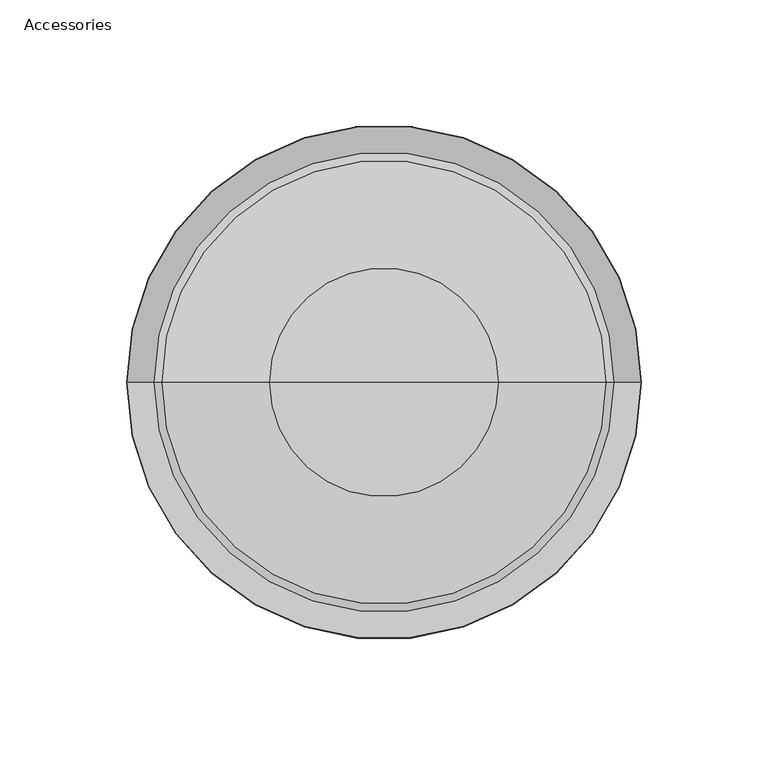
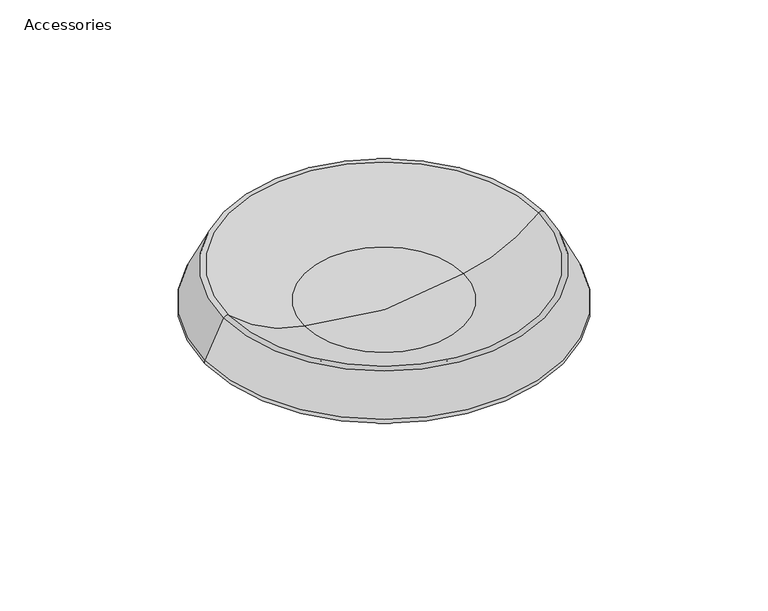
"""IFC4 building model written with IfcOpenShell, lengths in millimetres: furniture geometry, Accessories."""

from ifc_helpers import new_model, si_unit, point, frame, origin, place, context, project, spatial, polyline, circle_curve, ellipse_curve, trimmed, source, transform, mapped, element, save
from ifc_brep_helpers import plane_surface, cylinder_surface, revolved_surface, advanced_brep


def accessories_b2ed5c9a(model_context):
    return source(origin(), model_context, "Body", "AdvancedBrep", [
        advanced_brep(
        [(-448.7629639, 345.7919098, 49.9684171), (-273.5048526, 345.7919098, 49.9684171), (-315.9190582, 345.7919098, 28.5913911), (-406.3487583, 345.7919098, 28.5913911), (-451.9458472, 345.7919098, 49.421814), (-270.3219693, 345.7919098, 49.421814), (-462.5367561, 345.7919098, 27.813267), (-259.7310604, 345.7919098, 27.813267), (-461.5302804, 345.7919098, 24.7828095), (-260.7375362, 345.7919098, 24.7828095), (-441.0883939, 345.7919098, 14.3020789), (-281.1794227, 345.7919098, 14.3020789), (-400.2333613, 345.7919098, 14.3020789), (-322.0344553, 345.7919098, 14.3020789), (-400.2333613, 345.7919098, 9.2266756), (-322.0344553, 345.7919098, 9.2266756), (-402.8988403, 345.7919098, 7.3602871), (-319.3689762, 345.7919098, 7.3602871), (-403.0072452, 345.7919098, 4.2708546), (-319.2605713, 345.7919098, 4.2708546), (-397.7367999, 345.7919098, 0.0), (-324.5310167, 345.7919098, 0.0), (-361.1339083, 345.7919098, 0.0), (-361.1339083, 345.7919098, 22.6021878)],
        [
            (0, 1, circle_curve(frame((-361.1339083, 345.7919098, 49.9684171), z_axis=(0.0, 0.0, 1.0), x_axis=(1.0, 0.0, 0.0)), 87.6290556)),
            (1, 2, circle_curve(frame((-328.3006234, 345.7919098, 105.9232561), z_axis=(0.0, 1.0, 0.0), x_axis=(1.0, 0.0, 0.0)), 78.3167957)),
            (2, 3, circle_curve(frame((-361.1339083, 345.7919098, 28.5913911), z_axis=(0.0, 0.0, -1.0), x_axis=(1.0, 0.0, 0.0)), 45.2148501)),
            (3, 0, circle_curve(frame((-393.9671932, 345.7919098, 105.9232561), z_axis=(0.0, 1.0, 0.0), x_axis=(-1.0, 0.0, 0.0)), 78.3167957)),
            (1, 0, circle_curve(frame((-361.1339083, 345.7919098, 49.9684171), z_axis=(0.0, 0.0, 1.0), x_axis=(1.0, 0.0, 0.0)), 87.6290556)),
            (3, 2, circle_curve(frame((-361.1339083, 345.7919098, 28.5913911), z_axis=(0.0, 0.0, -1.0), x_axis=(1.0, 0.0, 0.0)), 45.2148501)),
            (4, 5, circle_curve(frame((-361.1339083, 345.7919098, 49.421814), z_axis=(0.0, 0.0, 1.0), x_axis=(1.0, 0.0, 0.0)), 90.811939)),
            (5, 1, circle_curve(frame((-272.1109224, 345.7919098, 48.5450018), z_axis=(0.0, -1.0, 0.0), x_axis=(1.0, 0.0, 0.0)), 1.9922733)),
            (0, 4, circle_curve(frame((-450.1568942, 345.7919098, 48.5450018), z_axis=(0.0, -1.0, 0.0), x_axis=(-1.0, 0.0, 0.0)), 1.9922733)),
            (5, 4, circle_curve(frame((-361.1339083, 345.7919098, 49.421814), z_axis=(0.0, 0.0, 1.0), x_axis=(1.0, 0.0, 0.0)), 90.811939)),
            (6, 7, circle_curve(frame((-361.1339083, 345.7919098, 27.813267), z_axis=(0.0, 0.0, 1.0), x_axis=(1.0, 0.0, 0.0)), 101.4028478)),
            (7, 5),
            (4, 6),
            (7, 6, circle_curve(frame((-361.1339083, 345.7919098, 27.813267), z_axis=(0.0, 0.0, 1.0), x_axis=(1.0, 0.0, 0.0)), 101.4028478)),
            (8, 9, circle_curve(frame((-361.1339083, 345.7919098, 24.7828095), z_axis=(0.0, 0.0, 1.0), x_axis=(1.0, 0.0, 0.0)), 100.3963721)),
            (9, 7, circle_curve(frame((-261.7771199, 345.7919098, 26.8104402), z_axis=(0.0, -1.0, 0.0), x_axis=(1.0, 0.0, 0.0)), 2.2786006)),
            (6, 8, circle_curve(frame((-460.4906967, 345.7919098, 26.8104402), z_axis=(0.0, -1.0, 0.0), x_axis=(-1.0, 0.0, 0.0)), 2.2786006)),
            (9, 8, circle_curve(frame((-361.1339083, 345.7919098, 24.7828095), z_axis=(0.0, 0.0, 1.0), x_axis=(1.0, 0.0, 0.0)), 100.3963721)),
            (10, 11, circle_curve(frame((-361.1339083, 345.7919098, 14.3020789), z_axis=(0.0, 0.0, 1.0), x_axis=(1.0, 0.0, 0.0)), 79.9544856)),
            (11, 9),
            (8, 10),
            (11, 10, circle_curve(frame((-361.1339083, 345.7919098, 14.3020789), z_axis=(0.0, 0.0, 1.0), x_axis=(1.0, 0.0, 0.0)), 79.9544856)),
            (12, 13, circle_curve(frame((-361.1339083, 345.7919098, 14.3020789), z_axis=(0.0, 0.0, 1.0), x_axis=(1.0, 0.0, 0.0)), 39.099453)),
            (13, 11),
            (10, 12),
            (13, 12, circle_curve(frame((-361.1339083, 345.7919098, 14.3020789), z_axis=(0.0, 0.0, 1.0), x_axis=(1.0, 0.0, 0.0)), 39.099453)),
            (14, 15, circle_curve(frame((-361.1339083, 345.7919098, 9.2266756), z_axis=(0.0, 0.0, 1.0), x_axis=(1.0, 0.0, 0.0)), 39.099453)),
            (15, 13),
            (12, 14),
            (15, 14, circle_curve(frame((-361.1339083, 345.7919098, 9.2266756), z_axis=(0.0, 0.0, 1.0), x_axis=(1.0, 0.0, 0.0)), 39.099453)),
            (16, 17, circle_curve(frame((-361.1339083, 345.7919098, 7.3602871), z_axis=(0.0, 0.0, 1.0), x_axis=(1.0, 0.0, 0.0)), 41.764932)),
            (17, 15),
            (14, 16),
            (17, 16, circle_curve(frame((-361.1339083, 345.7919098, 7.3602871), z_axis=(0.0, 0.0, 1.0), x_axis=(1.0, 0.0, 0.0)), 41.764932)),
            (18, 19, circle_curve(frame((-361.1339083, 345.7919098, 4.2708546), z_axis=(0.0, 0.0, 1.0), x_axis=(1.0, 0.0, 0.0)), 41.8733369)),
            (19, 17, circle_curve(frame((-320.4792078, 345.7919098, 5.7747121), z_axis=(0.0, -1.0, 0.0), x_axis=(1.0, 0.0, 0.0)), 1.9356297)),
            (16, 18, circle_curve(frame((-401.7886087, 345.7919098, 5.7747121), z_axis=(0.0, -1.0, 0.0), x_axis=(-1.0, 0.0, 0.0)), 1.9356297)),
            (19, 18, circle_curve(frame((-361.1339083, 345.7919098, 4.2708546), z_axis=(0.0, 0.0, 1.0), x_axis=(1.0, 0.0, 0.0)), 41.8733369)),
            (20, 21, circle_curve(frame((-361.1339083, 345.7919098, 0.0), z_axis=(0.0, 0.0, 1.0), x_axis=(1.0, 0.0, 0.0)), 36.6028916)),
            (21, 19),
            (18, 20),
            (21, 20, circle_curve(frame((-361.1339083, 345.7919098, 0.0), z_axis=(0.0, 0.0, 1.0), x_axis=(1.0, 0.0, 0.0)), 36.6028916)),
            (22, 21),
            (20, 22),
            (2, 23, circle_curve(frame((-449.1332569, 345.7919098, 860.6107926), z_axis=(0.0, 1.0, 0.0), x_axis=(1.0, 0.0, 0.0)), 842.6163463)),
            (23, 3, circle_curve(frame((-273.1345596, 345.7919098, 860.6107926), z_axis=(0.0, 1.0, 0.0), x_axis=(-1.0, 0.0, 0.0)), 842.6163463)),
        ],
        [
            revolved_surface(trimmed(ellipse_curve(frame((-328.3006234, 345.7919098, 105.9232561), z_axis=(0.0, -1.0, 0.0), x_axis=(1.0, 0.0, 0.0)), 78.3167957, 78.3167957), [point((-315.9190582, 345.7919098, 28.5913911))], [point((-273.5048526, 345.7919098, 49.9684171))], True, "CARTESIAN"), (-361.1339083, 345.7919098, 69.85), (0.0, 0.0, -1.0)),
            revolved_surface(trimmed(ellipse_curve(frame((-272.1109224, 345.7919098, 48.5450018), z_axis=(0.0, 1.0, 0.0), x_axis=(1.0, 0.0, 0.0)), 1.9922733, 1.9922733), [point((-273.5048526, 345.7919098, 49.9684171))], [point((-270.3219693, 345.7919098, 49.421814))], True, "CARTESIAN"), (-361.1339083, 345.7919098, 69.85), (0.0, 0.0, -1.0)),
            revolved_surface(polyline([(-270.3219693, 345.7919098, 49.421814), (-259.7310604, 345.7919098, 27.813267)]), (-361.1339083, 345.7919098, 69.85), (0.0, 0.0, -1.0)),
            revolved_surface(trimmed(ellipse_curve(frame((-261.7771199, 345.7919098, 26.8104402), z_axis=(0.0, 1.0, 0.0), x_axis=(1.0, 0.0, 0.0)), 2.2786006, 2.2786006), [point((-259.7310604, 345.7919098, 27.813267))], [point((-260.7375362, 345.7919098, 24.7828095))], True, "CARTESIAN"), (-361.1339083, 345.7919098, 69.85), (0.0, 0.0, -1.0)),
            revolved_surface(polyline([(-260.7375362, 345.7919098, 24.7828095), (-281.1794227, 345.7919098, 14.3020789)]), (-361.1339083, 345.7919098, 69.85), (0.0, 0.0, -1.0)),
            plane_surface(frame((-361.1339083, 345.7919098, 14.3020789), z_axis=(0.0, 0.0, -1.0), x_axis=(1.0, 0.0, 0.0))),
            cylinder_surface(frame((-361.1339083, 345.7919098, 69.85), z_axis=(0.0, 0.0, -1.0), x_axis=(1.0, 0.0, 0.0)), 39.099453),
            revolved_surface(polyline([(-322.0344553, 345.7919098, 9.2266756), (-319.3689762, 345.7919098, 7.3602871)]), (-361.1339083, 345.7919098, 69.85), (0.0, 0.0, -1.0)),
            revolved_surface(trimmed(ellipse_curve(frame((-320.4792078, 345.7919098, 5.7747121), z_axis=(0.0, 1.0, 0.0), x_axis=(1.0, 0.0, 0.0)), 1.9356297, 1.9356297), [point((-319.3689762, 345.7919098, 7.3602871))], [point((-319.2605713, 345.7919098, 4.2708546))], True, "CARTESIAN"), (-361.1339083, 345.7919098, 69.85), (0.0, 0.0, -1.0)),
            revolved_surface(polyline([(-319.2605713, 345.7919098, 4.2708546), (-324.5310167, 345.7919098, 0.0)]), (-361.1339083, 345.7919098, 69.85), (0.0, 0.0, -1.0)),
            plane_surface(frame((-361.1339083, 345.7919098, 0.0), z_axis=(0.0, 0.0, -1.0), x_axis=(1.0, 0.0, 0.0))),
            revolved_surface(trimmed(ellipse_curve(frame((-449.1332569, 345.7919098, 860.6107926), z_axis=(0.0, -1.0, 0.0), x_axis=(1.0, 0.0, 0.0)), 842.6163463, 842.6163463), [point((-361.1339083, 345.7919098, 22.6021878))], [point((-315.9190582, 345.7919098, 28.5913911))], True, "CARTESIAN"), (-361.1339083, 345.7919098, 69.85), (0.0, 0.0, -1.0)),
        ],
        [
            (0, [[1, 2, 3, 4]]),
            (0, [[5, -4, 6, -2]]),
            (1, [[7, 8, -1, 9]]),
            (1, [[10, -9, -5, -8]]),
            (2, [[11, 12, -7, 13]]),
            (2, [[14, -13, -10, -12]]),
            (3, [[15, 16, -11, 17]]),
            (3, [[18, -17, -14, -16]]),
            (4, [[19, 20, -15, 21]]),
            (4, [[22, -21, -18, -20]]),
            (5, [[23, 24, -19, 25]]),
            (5, [[26, -25, -22, -24]]),
            (6, [[27, 28, -23, 29]]),
            (6, [[30, -29, -26, -28]]),
            (7, [[31, 32, -27, 33]]),
            (7, [[34, -33, -30, -32]]),
            (8, [[35, 36, -31, 37]]),
            (8, [[38, -37, -34, -36]]),
            (9, [[39, 40, -35, 41]]),
            (9, [[42, -41, -38, -40]]),
            (10, [[43, -39, 44]]),
            (10, [[-44, -42, -43]]),
            (11, [[-3, 45, 46]]),
            (11, [[-6, -46, -45]]),
        ],
    ),
    ])


if __name__ == "__main__":
    model = new_model("IFC4")
    model_context = context("Model", 3, world=origin())
    ifc_project = project(units=[si_unit("LENGTHUNIT", "METRE", prefix="MILLI")], contexts=[model_context])
    site = spatial("IfcSite", under=ifc_project)
    building = spatial("IfcBuilding", under=site)
    placement = place(None, origin())
    accessories_shape = accessories_b2ed5c9a(model_context)
    element("IfcFurniture", 1, ObjectType="Accessories", at=placement, inside=building, context=model_context, shape_type="MappedRepresentation", body=[
        mapped(accessories_shape, transform((0.0, 0.0, 0.0), x_axis=(1.0, 0.0, 0.0), y_axis=(0.0, 1.0, 0.0), z_axis=(0.0, 0.0, 1.0))),
    ])
    save(model, "model.ifc")
